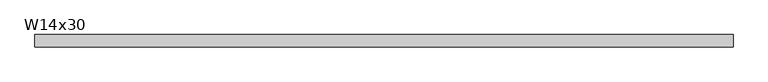
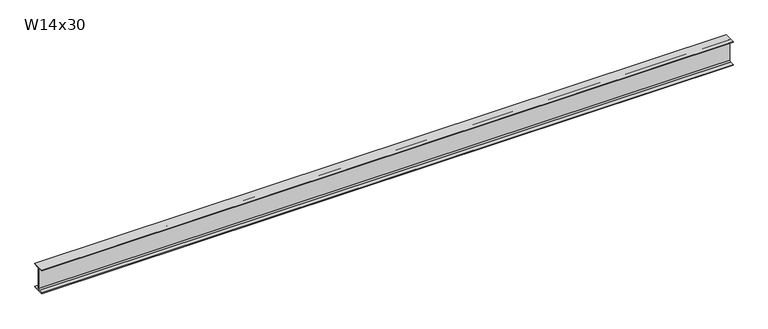
"""IFC4 building model written with IfcOpenShell, lengths in millimetres: beam geometry, W14x30."""

import ifcopenshell
import ifcopenshell.guid

model = None  # the IFC model being written
_history = None  # IfcOwnerHistory: only IFC2X3 demands one
_inside = {}  # id of a spatial element -> (the spatial element, [elements in it])
_under = {}  # id of a project, library or spatial element -> (it, [spatial elements below it])
_declared = {}  # id of a project -> (the project, [libraries it declares])
_typed = {}  # id of a type object -> (the type object, [elements of that type])
_made_of = {}  # id of a material, layer set ... -> (it, [elements and type objects made of it])


def new_model(schema):
    """Start an empty IFC model of exactly this schema.

    Asked for "IFC4X3", IfcOpenShell would pick the latest addendum, in which some entities
    have other attributes; the version numbers below select the first issue.
    IFC2X3 requires an IfcOwnerHistory on every rooted entity: one is made here for all.
    """
    global model, _history
    if schema == "IFC4X3":
        model = ifcopenshell.file(schema_version=(4, 3, 0, 0))
    else:
        model = ifcopenshell.file(schema=schema)
    _inside.clear()
    _under.clear()
    _declared.clear()
    _typed.clear()
    _made_of.clear()
    _history = None
    if model.schema == "IFC2X3":
        org = make("IfcOrganization", Name="unknown")
        user = make(
            "IfcPersonAndOrganization",
            ThePerson=make("IfcPerson", FamilyName="unknown"),
            TheOrganization=org,
        )
        app = make(
            "IfcApplication",
            ApplicationDeveloper=org,
            Version="unknown",
            ApplicationFullName="unknown",
            ApplicationIdentifier="unknown",
        )
        _history = make(
            "IfcOwnerHistory",
            OwningUser=user,
            OwningApplication=app,
            ChangeAction="ADDED",
            CreationDate=0,
        )
    return model


def make(cls, **values):
    """One entity of the class cls with the attributes given. An attribute that is None is left unset."""
    return model.create_entity(
        cls, **{name: value for name, value in values.items() if value is not None}
    )


def rooted(cls, **values):
    """An entity with a GlobalId (a new one), such as an element, a storey or a relation."""
    return make(cls, GlobalId=ifcopenshell.guid.new(), OwnerHistory=_history, **values)


def si_unit(unit_type, name, prefix=None):
    """IfcSIUnit, for example si_unit("LENGTHUNIT", "METRE", prefix="MILLI")."""
    return make("IfcSIUnit", UnitType=unit_type, Prefix=prefix, Name=name)


def assignment(units):
    """IfcUnitAssignment: the units of a project."""
    return None if units is None else make("IfcUnitAssignment", Units=units)


def point(xyz):
    """IfcCartesianPoint."""
    return None if xyz is None else make("IfcCartesianPoint", Coordinates=xyz)


def direction(xyz):
    """IfcDirection."""
    return None if xyz is None else make("IfcDirection", DirectionRatios=xyz)


def frame(location, z_axis=None, x_axis=None):
    """IfcAxis2Placement3D, a coordinate frame: its origin and axes. An axis left out is left unset."""
    return make(
        "IfcAxis2Placement3D",
        Location=point(location),
        Axis=direction(z_axis),
        RefDirection=direction(x_axis),
    )


def frame_2d(location, x_axis=None):
    """IfcAxis2Placement2D, a coordinate frame in the plane: its origin and x axis."""
    return make(
        "IfcAxis2Placement2D", Location=point(location), RefDirection=direction(x_axis)
    )


def origin():
    """The frame at (0, 0, 0) with its axes left unset."""
    return frame((0.0, 0.0, 0.0))


def place(relative_to, where):
    """IfcLocalPlacement: puts the frame where relative to a parent placement (None: the world)."""
    return make(
        "IfcLocalPlacement", PlacementRelTo=relative_to, RelativePlacement=where
    )


def context(
    kind, dimensions, precision=None, world=None, true_north=None, identifier=None
):
    """IfcGeometricRepresentationContext, for example the 3D "Model" context."""
    return make(
        "IfcGeometricRepresentationContext",
        ContextIdentifier=identifier,
        ContextType=kind,
        CoordinateSpaceDimension=dimensions,
        Precision=precision,
        WorldCoordinateSystem=world,
        TrueNorth=true_north,
    )


def project(units=None, contexts=None):
    """IfcProject with its units and contexts."""
    return rooted(
        "IfcProject",
        Name="project",
        RepresentationContexts=contexts,
        UnitsInContext=assignment(units),
    )


def spatial(cls, under=None, at=None, **own):
    """A site, building, storey or space (cls), placed at a placement, below another one or the project."""
    s = rooted(cls, ObjectPlacement=at, **own)
    if under is not None:
        _under.setdefault(under.id(), (under, []))[1].append(s)
    return s


def polyline(points):
    """IfcPolyline through the points."""
    return make("IfcPolyline", Points=[point(p) for p in points])


def circle_curve(where, radius):
    """IfcCircle in the frame where."""
    return make("IfcCircle", Position=where, Radius=radius)


def trimmed(basis, trim1, trim2, sense, master):
    """IfcTrimmedCurve: the piece of a basis curve between two trims."""
    return make(
        "IfcTrimmedCurve",
        BasisCurve=basis,
        Trim1=trim1,
        Trim2=trim2,
        SenseAgreement=sense,
        MasterRepresentation=master,
    )


def segment(curve, same_sense, transition):
    """IfcCompositeCurveSegment."""
    return make(
        "IfcCompositeCurveSegment",
        Transition=transition,
        SameSense=same_sense,
        ParentCurve=curve,
    )


def composite_curve(segments, self_intersect=None):
    """IfcCompositeCurve: segments joined end to end."""
    return make("IfcCompositeCurve", Segments=segments, SelfIntersect=self_intersect)


def outline(outer, holes=None, kind="AREA"):
    """IfcArbitraryClosedProfileDef: a profile drawn as a closed curve; with holes, ...WithVoids."""
    if holes is None:
        return make("IfcArbitraryClosedProfileDef", ProfileType=kind, OuterCurve=outer)
    return make(
        "IfcArbitraryProfileDefWithVoids",
        ProfileType=kind,
        OuterCurve=outer,
        InnerCurves=holes,
    )


def extrude(swept, where, along, depth):
    """IfcExtrudedAreaSolid: the profile swept, set in the frame where, extruded along a direction by depth."""
    return make(
        "IfcExtrudedAreaSolid",
        SweptArea=swept,
        Position=where,
        ExtrudedDirection=direction(along),
        Depth=depth,
    )


def shape(context_of_items, identifier, shape_type, items):
    """IfcShapeRepresentation: the items that make up one representation, for example the "Body"."""
    return make(
        "IfcShapeRepresentation",
        ContextOfItems=context_of_items,
        RepresentationIdentifier=identifier,
        RepresentationType=shape_type,
        Items=items,
    )


def source(mapping_origin, context_of_items, identifier, shape_type, items):
    """IfcRepresentationMap: a shape defined once, which mapped items show again and again."""
    return make(
        "IfcRepresentationMap",
        MappingOrigin=mapping_origin,
        MappedRepresentation=shape(context_of_items, identifier, shape_type, items),
    )


def transform(
    local_origin,
    x_axis=None,
    y_axis=None,
    z_axis=None,
    scale=None,
    scale2=None,
    scale3=None,
    uniform=True,
):
    """IfcCartesianTransformationOperator3D, or its non-uniform kind. x_axis, y_axis, z_axis: its Axis1, 2, 3."""
    if uniform:
        return make(
            "IfcCartesianTransformationOperator3D",
            Axis1=direction(x_axis),
            Axis2=direction(y_axis),
            LocalOrigin=point(local_origin),
            Scale=scale,
            Axis3=direction(z_axis),
        )
    return make(
        "IfcCartesianTransformationOperator3DnonUniform",
        Axis1=direction(x_axis),
        Axis2=direction(y_axis),
        LocalOrigin=point(local_origin),
        Scale=scale,
        Axis3=direction(z_axis),
        Scale2=scale2,
        Scale3=scale3,
    )


def mapped(mapping_source, mapping_target):
    """IfcMappedItem: shows the shape of a source again, moved by a transform."""
    return make(
        "IfcMappedItem", MappingSource=mapping_source, MappingTarget=mapping_target
    )


def made_of(thing, what):
    """Note that an element or type object is made of a material, layer set ...; save() writes the relation."""
    if what is not None:
        _made_of.setdefault(what.id(), (what, []))[1].append(thing)
    return thing


def element(
    cls,
    number,
    at=None,
    inside=None,
    cuts=None,
    type_object=None,
    material=None,
    context=None,
    identifier="Body",
    shape_type=None,
    held_by="IfcProductDefinitionShape",
    body=None,
    shapes=None,
    **own,
):
    """One element of the class cls, such as IfcWall. Its Tag is "e" and its number.

    at: its placement. inside: the storey or other place that contains it. cuts: it is an
    opening in that element (IfcRelVoidsElement). A single representation is given by context,
    identifier, shape_type and body (its items); several are given by shapes. held_by: the class
    of the entity that holds the representations. save() writes the other relations.
    """
    e = rooted(cls, Tag="e%d" % number, ObjectPlacement=at, **own)
    if body is not None:
        shapes = [shape(context, identifier, shape_type, body)]
    if shapes is not None:
        e.Representation = make(held_by, Representations=shapes)
    if inside is not None:
        _inside.setdefault(inside.id(), (inside, []))[1].append(e)
    if cuts is not None:
        rooted(
            "IfcRelVoidsElement", RelatingBuildingElement=cuts, RelatedOpeningElement=e
        )
    if type_object is not None:
        _typed.setdefault(type_object.id(), (type_object, []))[1].append(e)
    return made_of(e, material)


def aggregate(whole, parts):
    """IfcRelAggregates: a whole, such as a stair, and the parts it consists of."""
    return rooted("IfcRelAggregates", RelatingObject=whole, RelatedObjects=parts)


def save(model, path):
    """Write the relations noted so far, then the file.

    IfcRelAggregates (storeys below a building ...), IfcRelContainedInSpatialStructure (elements
    in a storey), IfcRelDefinesByType, IfcRelAssociatesMaterial and IfcRelDeclares: one each for
    every whole, place, type object, material and project.
    """
    for whole, parts in _under.values():
        aggregate(whole, parts)
    for where, things in _inside.values():
        rooted(
            "IfcRelContainedInSpatialStructure",
            RelatedElements=things,
            RelatingStructure=where,
        )
    for kind, things in _typed.values():
        rooted("IfcRelDefinesByType", RelatedObjects=things, RelatingType=kind)
    for what, things in _made_of.values():
        rooted("IfcRelAssociatesMaterial", RelatedObjects=things, RelatingMaterial=what)
    for by, libraries in _declared.values():
        rooted("IfcRelDeclares", RelatingContext=by, RelatedDefinitions=libraries)
    model.write(path)


def w14x30_e2864ec5(model_context):
    return source(origin(), model_context, "Body", "SweptSolid", [
        extrude(outline(composite_curve([segment(polyline([(85.471, -165.481), (85.471, -175.26), (-85.471, -175.26), (-85.471, -165.481), (-22.225, -165.481)]), True, "CONTINUOUS"), segment(trimmed(circle_curve(frame_2d((-22.225, -146.685)), 18.796), [point((-22.225, -165.481))], [point((-3.429, -146.685))], True, "CARTESIAN"), True, "CONTINUOUS"), segment(polyline([(-3.429, -146.685), (-3.429, 146.685)]), True, "CONTINUOUS"), segment(trimmed(circle_curve(frame_2d((-22.225, 146.685)), 18.796), [point((-3.429, 146.685))], [point((-22.225, 165.481))], True, "CARTESIAN"), True, "CONTINUOUS"), segment(polyline([(-22.225, 165.481), (-85.471, 165.481), (-85.471, 175.26), (85.471, 175.26), (85.471, 165.481), (22.225, 165.481)]), True, "CONTINUOUS"), segment(trimmed(circle_curve(frame_2d((22.225, 146.685)), 18.796), [point((22.225, 165.481))], [point((3.429, 146.685))], True, "CARTESIAN"), True, "CONTINUOUS"), segment(polyline([(3.429, 146.685), (3.429, -146.685)]), True, "CONTINUOUS"), segment(trimmed(circle_curve(frame_2d((22.225, -146.685)), 18.796), [point((3.429, -146.685))], [point((22.225, -165.481))], True, "CARTESIAN"), True, "CONTINUOUS"), segment(polyline([(22.225, -165.481), (85.471, -165.481)]), True, "CONTINUOUS")], self_intersect=False)), frame((-4807.392451, 0.0, 0.0), z_axis=(1.0, 0.0, 0.0), x_axis=(0.0, 1.0, 0.0)), (0.0, 0.0, 1.0), 9788.105962),
    ])


if __name__ == "__main__":
    model = new_model("IFC4")
    model_context = context("Model", 3, world=origin())
    ifc_project = project(units=[si_unit("LENGTHUNIT", "METRE", prefix="MILLI")], contexts=[model_context])
    site = spatial("IfcSite", under=ifc_project)
    building = spatial("IfcBuilding", under=site)
    placement = place(None, origin())
    w14x30_shape = w14x30_e2864ec5(model_context)
    element("IfcBeam", 1, ObjectType="W14x30", at=placement, inside=building, context=model_context, shape_type="MappedRepresentation", body=[
        mapped(w14x30_shape, transform((0.0, 0.0, 0.0), x_axis=(1.0, 0.0, 0.0), y_axis=(0.0, 1.0, 0.0), z_axis=(0.0, 0.0, 1.0))),
    ])
    save(model, "model.ifc")
